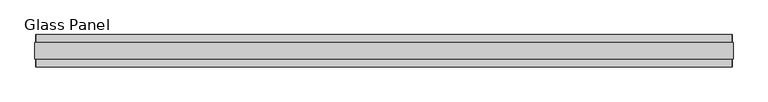
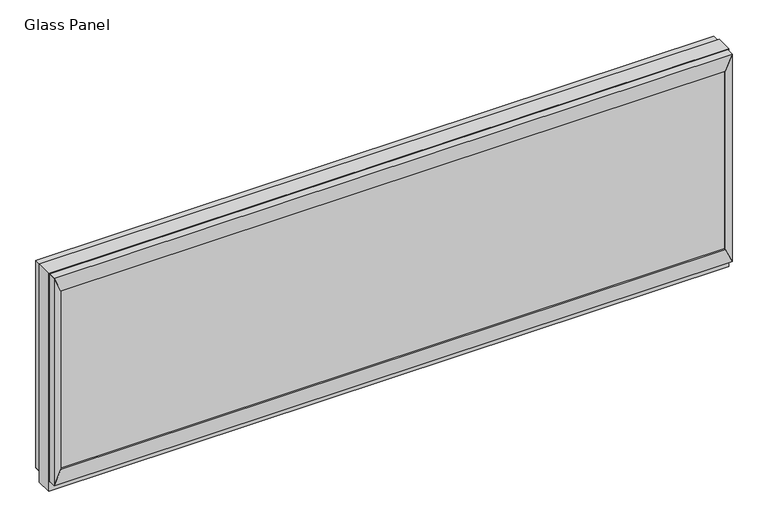
"""IFC4 building model written with IfcOpenShell, lengths in millimetres: plate geometry, Glass Panel."""

from ifc_helpers import new_model, si_unit, frame, origin, place, context, project, spatial, polyline, outline, extrude, source, transform, mapped, element, save


def glass_panel_720ea99e(model_context):
    return source(origin(), model_context, "Body", "SweptSolid", [
        extrude(outline(polyline([(1055.6652178, -45.1096), (-1055.6652178, -45.1096), (-1055.6652178, -33.6796), (1055.6652178, -33.6796), (1055.6652178, -45.1096)])), frame((0.0, 0.0, 81.0006), z_axis=(0.0, 0.0, 1.0), x_axis=(1.0, 0.0, 0.0)), (0.0, 0.0, 1.0), 599.7829),
        extrude(outline(polyline([(1055.6652178, 33.9098), (-1055.6652178, 33.9098), (-1055.6652178, 45.3398), (1055.6652178, 45.3398), (1055.6652178, 33.9098)])), frame((0.0, 0.0, 81.0006), z_axis=(0.0, 0.0, 1.0), x_axis=(1.0, 0.0, 0.0)), (0.0, 0.0, 1.0), 599.7829),
        extrude(outline(polyline([(81.0006, 1055.6652178), (81.0006, -1055.6652178), (32.004, -1077.6616178), (32.004, 1077.6616178), (81.0006, 1055.6652178)])), frame((0.0, -49.9229, 0.0), z_axis=(0.0, 1.0, 0.0), x_axis=(0.0, 0.0, 1.0)), (0.0, 0.0, 1.0), 100.076),
        extrude(outline(polyline([(680.7835, 1055.6652178), (729.7801, 1077.6616178), (729.7801, -1077.6616178), (680.7835, -1055.6652178), (680.7835, 1055.6652178)])), frame((0.0, -49.9229, 0.0), z_axis=(0.0, 1.0, 0.0), x_axis=(0.0, 0.0, 1.0)), (0.0, 0.0, 1.0), 100.076),
        extrude(outline(polyline([(81.0006, 1055.6652178), (32.004, 1077.6616178), (729.7801, 1077.6616178), (680.7835, 1055.6652178), (81.0006, 1055.6652178)])), frame((0.0, -49.9229, 0.0), z_axis=(0.0, 1.0, 0.0), x_axis=(0.0, 0.0, 1.0)), (0.0, 0.0, 1.0), 100.076),
        extrude(outline(polyline([(81.0006, -1055.6652178), (680.7835, -1055.6652178), (729.7801, -1077.6616178), (32.004, -1077.6616178), (81.0006, -1055.6652178)])), frame((0.0, -49.9229, 0.0), z_axis=(0.0, 1.0, 0.0), x_axis=(0.0, 0.0, 1.0)), (0.0, 0.0, 1.0), 100.076),
        extrude(outline(polyline([(0.0, -1080.6588178), (0.0, 1080.6588178), (732.79, 1080.6588178), (732.79, -1080.6588178), (0.0, -1080.6588178)]), holes=[polyline([(32.004, 1077.6616178), (32.004, -1077.6616178), (729.7801, -1077.6616178), (729.7801, 1077.6616178), (32.004, 1077.6616178)])]), frame((0.0, -25.8818, 0.0), z_axis=(0.0, 1.0, 0.0), x_axis=(0.0, 0.0, 1.0)), (0.0, 0.0, 1.0), 51.9938),
    ])


if __name__ == "__main__":
    model = new_model("IFC4")
    model_context = context("Model", 3, world=origin())
    ifc_project = project(units=[si_unit("LENGTHUNIT", "METRE", prefix="MILLI")], contexts=[model_context])
    site = spatial("IfcSite", under=ifc_project)
    building = spatial("IfcBuilding", under=site)
    placement = place(None, origin())
    glass_panel_shape = glass_panel_720ea99e(model_context)
    element("IfcPlate", 1, ObjectType="Glass Panel", at=placement, inside=building, context=model_context, shape_type="MappedRepresentation", body=[
        mapped(glass_panel_shape, transform((0.0, 0.0, 0.0), x_axis=(1.0, 0.0, 0.0), y_axis=(0.0, 1.0, 0.0), z_axis=(0.0, 0.0, 1.0))),
    ])
    save(model, "model.ifc")
